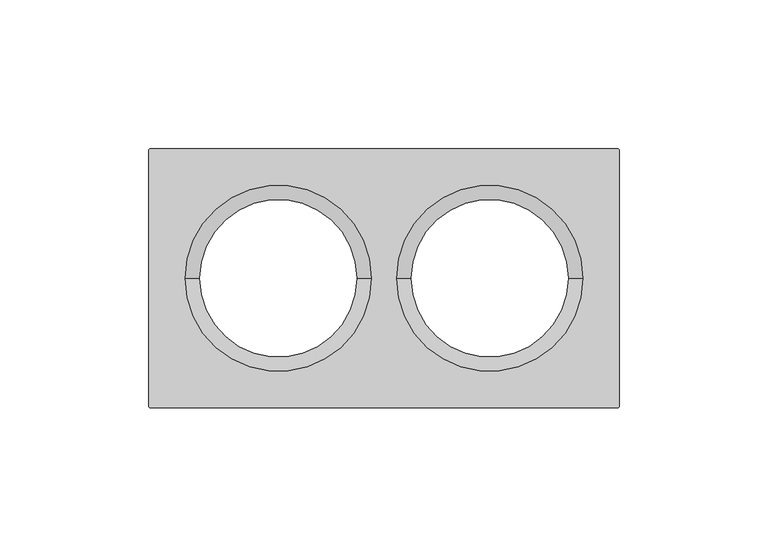
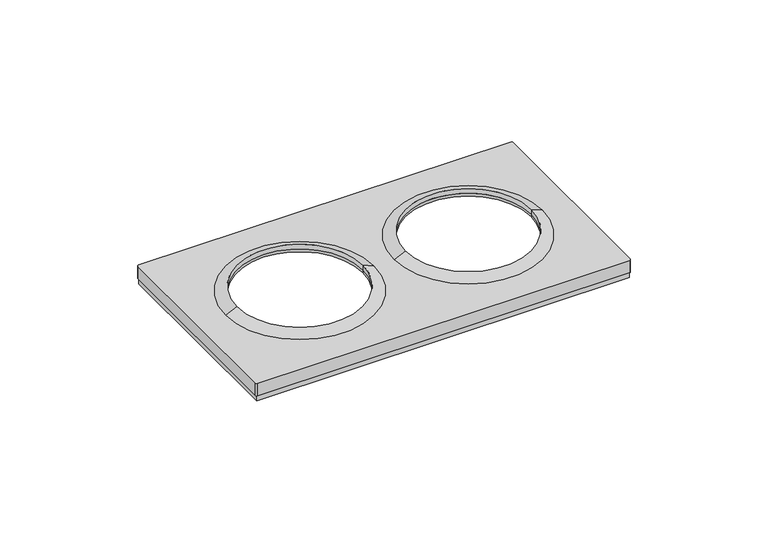
"""IFC4 building model written with IfcOpenShell, lengths in millimetres: proxy geometry."""

from ifc_helpers import new_model, si_unit, frame, origin, origin_with_axes, place, context, project, spatial, polyline, circle_curve, outline, extrude, source, transform, mapped, element, save
from ifc_brep_helpers import plane_surface, cylinder_surface, revolved_surface, advanced_brep


def electrical_fixtures_322ed540(model_context):
    return source(origin(), model_context, "Body", "SolidModel", [
        advanced_brep(
        [(4.2158437, 0.0, 8.0076008), (9.0, 0.0, 10.1), (62.0, 0.0, 10.1), (66.7841563, 0.0, 8.0076008), (9.0, 0.0, 8.0076008), (62.0, 0.0, 8.0076008), (-66.7841563, 0.0, 8.0076008), (-62.0, 0.0, 10.1), (-9.0, 0.0, 10.1), (-4.2158437, 0.0, 8.0076008), (-62.0, 0.0, 8.0076008), (-9.0, 0.0, 8.0076008), (-79.0, -42.9369707, 8.0076008), (-78.4369707, -43.5, 8.0076008), (78.4369707, -43.5, 8.0076008), (79.0, -42.9369707, 8.0076008), (79.0, 42.9369707, 8.0076008), (78.4369707, 43.5, 8.0076008), (-78.4369707, 43.5, 8.0076008), (-79.0, 42.9369707, 8.0076008), (-79.0, -42.9369707, 2.5), (-79.0, 42.9369707, 2.5), (-78.4369707, 43.5, 2.5), (78.4369707, 43.5, 2.5), (79.0, 42.9369707, 2.5), (79.0, -42.9369707, 2.5), (78.4369707, -43.5, 2.5), (-78.4369707, -43.5, 2.5), (78.0, 42.5, 2.5), (-78.0, 42.5, 2.5), (-78.0, -42.5, 2.5), (78.0, -42.5, 2.5), (-62.0, 0.0, 6.7956384), (-9.0, 0.0, 6.7956384), (78.0, 42.5, 6.7956384), (78.0, -42.5, 6.7956384), (-78.0, -42.5, 6.7956384), (-78.0, 42.5, 6.7956384), (62.0, 0.0, 6.7956384), (9.0, 0.0, 6.7956384)],
        [
            (0, 1),
            (1, 2, circle_curve(frame((35.5, 0.0, 10.1), z_axis=(0.0, 0.0, -1.0), x_axis=(-1.0, 0.0, 0.0)), 26.5)),
            (2, 3),
            (3, 0, circle_curve(frame((35.5, 0.0, 8.0076008), z_axis=(0.0, 0.0, 1.0), x_axis=(-1.0, 0.0, 0.0)), 31.2841563)),
            (0, 3, circle_curve(frame((35.5, 0.0, 8.0076008), z_axis=(0.0, 0.0, 1.0), x_axis=(-1.0, 0.0, 0.0)), 31.2841563)),
            (2, 1, circle_curve(frame((35.5, 0.0, 10.1), z_axis=(0.0, 0.0, -1.0), x_axis=(-1.0, 0.0, 0.0)), 26.5)),
            (1, 4),
            (4, 5, circle_curve(frame((35.5, 0.0, 8.0076008), z_axis=(0.0, 0.0, -1.0), x_axis=(-1.0, 0.0, 0.0)), 26.5)),
            (5, 2),
            (5, 4, circle_curve(frame((35.5, 0.0, 8.0076008), z_axis=(0.0, 0.0, -1.0), x_axis=(-1.0, 0.0, 0.0)), 26.5)),
            (6, 7),
            (7, 8, circle_curve(frame((-35.5, 0.0, 10.1), z_axis=(0.0, 0.0, -1.0), x_axis=(-1.0, 0.0, 0.0)), 26.5)),
            (8, 9),
            (9, 6, circle_curve(frame((-35.5, 0.0, 8.0076008), z_axis=(0.0, 0.0, 1.0), x_axis=(-1.0, 0.0, 0.0)), 31.2841563)),
            (6, 9, circle_curve(frame((-35.5, 0.0, 8.0076008), z_axis=(0.0, 0.0, 1.0), x_axis=(-1.0, 0.0, 0.0)), 31.2841563)),
            (8, 7, circle_curve(frame((-35.5, 0.0, 10.1), z_axis=(0.0, 0.0, -1.0), x_axis=(-1.0, 0.0, 0.0)), 26.5)),
            (7, 10),
            (10, 11, circle_curve(frame((-35.5, 0.0, 8.0076008), z_axis=(0.0, 0.0, -1.0), x_axis=(-1.0, 0.0, 0.0)), 26.5)),
            (11, 8),
            (11, 10, circle_curve(frame((-35.5, 0.0, 8.0076008), z_axis=(0.0, 0.0, -1.0), x_axis=(-1.0, 0.0, 0.0)), 26.5)),
            (12, 13, circle_curve(frame((-78.4369707, -42.9369707, 8.0076008), z_axis=(0.0, 0.0, 1.0), x_axis=(1.0, 0.0, 0.0)), 0.5630293)),
            (13, 14),
            (14, 15, circle_curve(frame((78.4369707, -42.9369707, 8.0076008), z_axis=(0.0, 0.0, 1.0), x_axis=(-1.0, 0.0, 0.0)), 0.5630293)),
            (15, 16),
            (16, 17, circle_curve(frame((78.4369707, 42.9369707, 8.0076008), z_axis=(0.0, 0.0, 1.0), x_axis=(-1.0, 0.0, 0.0)), 0.5630293)),
            (17, 18),
            (18, 19, circle_curve(frame((-78.4369707, 42.9369707, 8.0076008), z_axis=(0.0, 0.0, 1.0), x_axis=(1.0, 0.0, 0.0)), 0.5630293)),
            (19, 12),
            (20, 21),
            (21, 22, circle_curve(frame((-78.4369707, 42.9369707, 2.5), z_axis=(0.0, 0.0, -1.0), x_axis=(1.0, 0.0, 0.0)), 0.5630293)),
            (22, 23),
            (23, 24, circle_curve(frame((78.4369707, 42.9369707, 2.5), z_axis=(0.0, 0.0, -1.0), x_axis=(-1.0, 0.0, 0.0)), 0.5630293)),
            (24, 25),
            (25, 26, circle_curve(frame((78.4369707, -42.9369707, 2.5), z_axis=(0.0, 0.0, -1.0), x_axis=(-1.0, 0.0, 0.0)), 0.5630293)),
            (26, 27),
            (27, 20, circle_curve(frame((-78.4369707, -42.9369707, 2.5), z_axis=(0.0, 0.0, -1.0), x_axis=(1.0, 0.0, 0.0)), 0.5630293)),
            (28, 29),
            (29, 30),
            (30, 31),
            (31, 28),
            (12, 20),
            (27, 13),
            (26, 14),
            (25, 15),
            (24, 16),
            (23, 17),
            (22, 18),
            (21, 19),
            (10, 32),
            (32, 33, circle_curve(frame((-35.5, 0.0, 6.7956384), z_axis=(0.0, 0.0, -1.0), x_axis=(-1.0, 0.0, 0.0)), 26.5)),
            (33, 11),
            (33, 32, circle_curve(frame((-35.5, 0.0, 6.7956384), z_axis=(0.0, 0.0, -1.0), x_axis=(-1.0, 0.0, 0.0)), 26.5)),
            (34, 35),
            (35, 36),
            (36, 37),
            (37, 34),
            (38, 39, circle_curve(frame((35.5, 0.0, 6.7956384), z_axis=(0.0, 0.0, 1.0), x_axis=(-1.0, 0.0, 0.0)), 26.5)),
            (39, 38, circle_curve(frame((35.5, 0.0, 6.7956384), z_axis=(0.0, 0.0, 1.0), x_axis=(-1.0, 0.0, 0.0)), 26.5)),
            (37, 29),
            (28, 34),
            (36, 30),
            (35, 31),
            (38, 5),
            (4, 39),
        ],
        [
            revolved_surface(polyline([(9.0, 0.0, 10.1), (4.2158437, 0.0, 8.0076008)]), (35.5, 0.0, 2609.0581012), (0.0, 0.0, -1.0)),
            revolved_surface(polyline([(9.0, 0.0, 8.007600800000091), (9.0, 0.0, 10.099999999999909)]), (35.5, 0.0, 2609.0581012), (0.0, 0.0, -1.0)),
            revolved_surface(polyline([(-62.0, 0.0, 10.1), (-66.7841563, 0.0, 8.0076008)]), (-35.5, 0.0, 2609.0581012), (0.0, 0.0, -1.0)),
            revolved_surface(polyline([(-62.0, 0.0, 8.007600800000091), (-62.0, 0.0, 10.099999999999909)]), (-35.5, 0.0, 2609.0581012), (0.0, 0.0, -1.0)),
            plane_surface(frame((-77.8739414, -42.9369707, 8.0076008), z_axis=(0.0, 0.0, 1.0), x_axis=(0.0, 1.0, 0.0))),
            plane_surface(frame((-77.8739414, -42.9369707, 2.5), z_axis=(0.0, 0.0, -1.0), x_axis=(0.0, -1.0, 0.0))),
            cylinder_surface(frame((-78.4369707, -42.9369707, 2.5), z_axis=(0.0, 0.0, 1.0), x_axis=(1.0, 0.0, 0.0)), 0.5630293),
            plane_surface(frame((-78.4369707, -43.5, 8.0076008), z_axis=(0.0, -1.0, 0.0), x_axis=(0.0, 0.0, -1.0))),
            cylinder_surface(frame((78.4369707, -42.9369707, 2.5), z_axis=(0.0, 0.0, 1.0), x_axis=(-1.0, 0.0, 0.0)), 0.5630293),
            plane_surface(frame((79.0, -42.9369707, 8.0076008), z_axis=(1.0, 0.0, 0.0), x_axis=(0.0, 0.0, -1.0))),
            cylinder_surface(frame((78.4369707, 42.9369707, 2.5), z_axis=(0.0, 0.0, 1.0), x_axis=(-1.0, 0.0, 0.0)), 0.5630293),
            plane_surface(frame((78.4369707, 43.5, 8.0076008), z_axis=(0.0, 1.0, 0.0), x_axis=(0.0, 0.0, -1.0))),
            cylinder_surface(frame((-78.4369707, 42.9369707, 2.5), z_axis=(0.0, 0.0, 1.0), x_axis=(1.0, 0.0, 0.0)), 0.5630293),
            plane_surface(frame((-79.0, 42.9369707, 8.0076008), z_axis=(-1.0, 0.0, 0.0), x_axis=(0.0, 0.0, -1.0))),
            revolved_surface(polyline([(-62.0, 0.0, 8.0076008), (-62.0, 0.0, 6.7956384)]), (-35.5, 0.0, 0.0), (0.0, 0.0, 1.0)),
            plane_surface(frame((-42.5, 42.5, 6.7956384), z_axis=(0.0, 0.0, -1.0), x_axis=(-1.0, 0.0, 0.0))),
            plane_surface(frame((78.0, 42.5, 6.7956384), z_axis=(0.0, -1.0, 0.0), x_axis=(0.0, 0.0, -1.0))),
            plane_surface(frame((-78.0, 42.5, 6.7956384), z_axis=(1.0, 0.0, 0.0), x_axis=(0.0, 0.0, -1.0))),
            plane_surface(frame((-78.0, -42.5, 6.7956384), z_axis=(0.0, 1.0, 0.0), x_axis=(0.0, 0.0, -1.0))),
            plane_surface(frame((78.0, -42.5, 6.7956384), z_axis=(-1.0, 0.0, 0.0), x_axis=(0.0, 0.0, -1.0))),
            revolved_surface(polyline([(9.0, 0.0, 8.0076008), (9.0, 0.0, 6.7956384)]), (35.5, 0.0, 0.0), (0.0, 0.0, 1.0)),
        ],
        [
            (0, [[1, 2, 3, 4]]),
            (0, [[-1, 5, -3, 6]]),
            (1, [[-2, 7, 8, 9]]),
            (1, [[-6, -9, 10, -7]]),
            (2, [[11, 12, 13, 14]]),
            (2, [[-11, 15, -13, 16]]),
            (3, [[-12, 17, 18, 19]]),
            (3, [[-16, -19, 20, -17]]),
            (4, [[21, 22, 23, 24, 25, 26, 27, 28], [-14, -15], [-4, -5]]),
            (5, [[29, 30, 31, 32, 33, 34, 35, 36], [37, 38, 39, 40]]),
            (6, [[-21, 41, -36, 42]]),
            (7, [[-22, -42, -35, 43]]),
            (8, [[-23, -43, -34, 44]]),
            (9, [[-24, -44, -33, 45]]),
            (10, [[-25, -45, -32, 46]]),
            (11, [[-26, -46, -31, 47]]),
            (12, [[-27, -47, -30, 48]]),
            (13, [[-28, -48, -29, -41]]),
            (14, [[-18, 49, 50, 51]]),
            (14, [[-20, -51, 52, -49]]),
            (15, [[53, 54, 55, 56], [-50, -52], [57, 58]]),
            (16, [[-56, 59, -37, 60]]),
            (17, [[-55, 61, -38, -59]]),
            (18, [[-54, 62, -39, -61]]),
            (19, [[-53, -60, -40, -62]]),
            (20, [[63, -8, 64, -57]]),
            (20, [[-63, -58, -64, -10]]),
        ],
    ),
        extrude(outline(polyline([(-78.5, -43.0), (-78.5, 43.0), (78.5, 43.0), (78.5, -43.0), (-78.5, -43.0)]), holes=[polyline([(-78.0, -42.5), (78.0, -42.5), (78.0, 42.5), (-78.0, 42.5), (-78.0, -42.5)])]), origin_with_axes(), (0.0, 0.0, 1.0), 2.5),
    ])


if __name__ == "__main__":
    model = new_model("IFC4")
    model_context = context("Model", 3, world=origin())
    ifc_project = project(units=[si_unit("LENGTHUNIT", "METRE", prefix="MILLI")], contexts=[model_context])
    site = spatial("IfcSite", under=ifc_project)
    building = spatial("IfcBuilding", under=site)
    placement = place(None, origin())
    electrical_fixtures_shape = electrical_fixtures_322ed540(model_context)
    element("IfcBuildingElementProxy", 1, Name="Electrical Fixtures", at=placement, inside=building, context=model_context, shape_type="MappedRepresentation", body=[
        mapped(electrical_fixtures_shape, transform((0.0, 0.0, 0.0), x_axis=(1.0, 0.0, 0.0), y_axis=(0.0, 1.0, 0.0), z_axis=(0.0, 0.0, 1.0))),
    ])
    save(model, "model.ifc")
